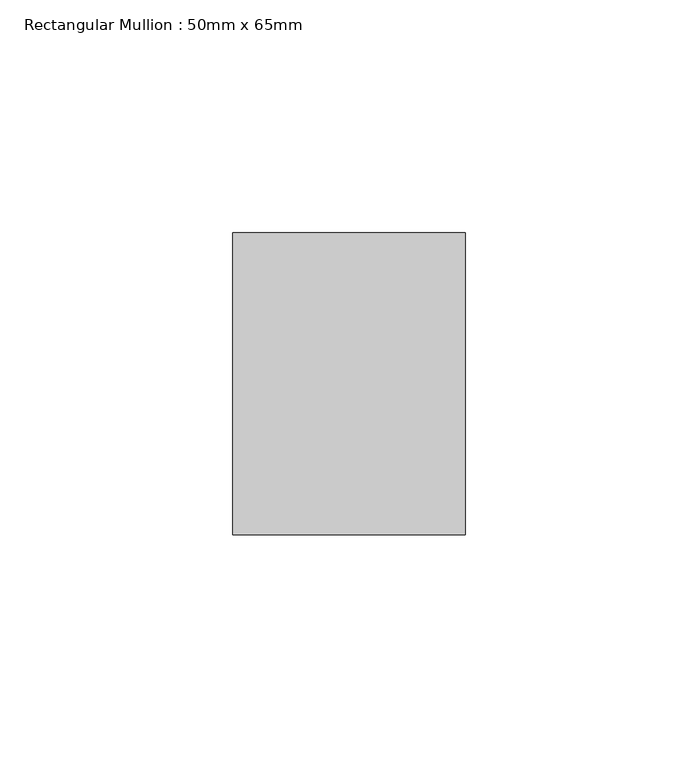
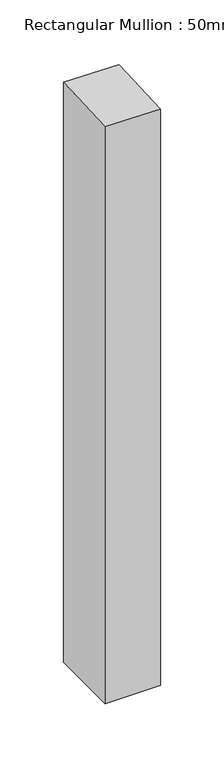
"""IFC4 building model written with IfcOpenShell, lengths in millimetres: member geometry, Rectangular Mullion : 50mm x 65mm."""

import ifcopenshell
import ifcopenshell.guid

model = None  # the IFC model being written
_history = None  # IfcOwnerHistory: only IFC2X3 demands one
_inside = {}  # id of a spatial element -> (the spatial element, [elements in it])
_under = {}  # id of a project, library or spatial element -> (it, [spatial elements below it])
_declared = {}  # id of a project -> (the project, [libraries it declares])
_typed = {}  # id of a type object -> (the type object, [elements of that type])
_made_of = {}  # id of a material, layer set ... -> (it, [elements and type objects made of it])


def new_model(schema):
    """Start an empty IFC model of exactly this schema.

    Asked for "IFC4X3", IfcOpenShell would pick the latest addendum, in which some entities
    have other attributes; the version numbers below select the first issue.
    IFC2X3 requires an IfcOwnerHistory on every rooted entity: one is made here for all.
    """
    global model, _history
    if schema == "IFC4X3":
        model = ifcopenshell.file(schema_version=(4, 3, 0, 0))
    else:
        model = ifcopenshell.file(schema=schema)
    _inside.clear()
    _under.clear()
    _declared.clear()
    _typed.clear()
    _made_of.clear()
    _history = None
    if model.schema == "IFC2X3":
        org = make("IfcOrganization", Name="unknown")
        user = make(
            "IfcPersonAndOrganization",
            ThePerson=make("IfcPerson", FamilyName="unknown"),
            TheOrganization=org,
        )
        app = make(
            "IfcApplication",
            ApplicationDeveloper=org,
            Version="unknown",
            ApplicationFullName="unknown",
            ApplicationIdentifier="unknown",
        )
        _history = make(
            "IfcOwnerHistory",
            OwningUser=user,
            OwningApplication=app,
            ChangeAction="ADDED",
            CreationDate=0,
        )
    return model


def make(cls, **values):
    """One entity of the class cls with the attributes given. An attribute that is None is left unset."""
    return model.create_entity(
        cls, **{name: value for name, value in values.items() if value is not None}
    )


def rooted(cls, **values):
    """An entity with a GlobalId (a new one), such as an element, a storey or a relation."""
    return make(cls, GlobalId=ifcopenshell.guid.new(), OwnerHistory=_history, **values)


def si_unit(unit_type, name, prefix=None):
    """IfcSIUnit, for example si_unit("LENGTHUNIT", "METRE", prefix="MILLI")."""
    return make("IfcSIUnit", UnitType=unit_type, Prefix=prefix, Name=name)


def assignment(units):
    """IfcUnitAssignment: the units of a project."""
    return None if units is None else make("IfcUnitAssignment", Units=units)


def point(xyz):
    """IfcCartesianPoint."""
    return None if xyz is None else make("IfcCartesianPoint", Coordinates=xyz)


def direction(xyz):
    """IfcDirection."""
    return None if xyz is None else make("IfcDirection", DirectionRatios=xyz)


def frame(location, z_axis=None, x_axis=None):
    """IfcAxis2Placement3D, a coordinate frame: its origin and axes. An axis left out is left unset."""
    return make(
        "IfcAxis2Placement3D",
        Location=point(location),
        Axis=direction(z_axis),
        RefDirection=direction(x_axis),
    )


def origin():
    """The frame at (0, 0, 0) with its axes left unset."""
    return frame((0.0, 0.0, 0.0))


def place(relative_to, where):
    """IfcLocalPlacement: puts the frame where relative to a parent placement (None: the world)."""
    return make(
        "IfcLocalPlacement", PlacementRelTo=relative_to, RelativePlacement=where
    )


def context(
    kind, dimensions, precision=None, world=None, true_north=None, identifier=None
):
    """IfcGeometricRepresentationContext, for example the 3D "Model" context."""
    return make(
        "IfcGeometricRepresentationContext",
        ContextIdentifier=identifier,
        ContextType=kind,
        CoordinateSpaceDimension=dimensions,
        Precision=precision,
        WorldCoordinateSystem=world,
        TrueNorth=true_north,
    )


def project(units=None, contexts=None):
    """IfcProject with its units and contexts."""
    return rooted(
        "IfcProject",
        Name="project",
        RepresentationContexts=contexts,
        UnitsInContext=assignment(units),
    )


def spatial(cls, under=None, at=None, **own):
    """A site, building, storey or space (cls), placed at a placement, below another one or the project."""
    s = rooted(cls, ObjectPlacement=at, **own)
    if under is not None:
        _under.setdefault(under.id(), (under, []))[1].append(s)
    return s


def faces_of(points, faces, orient=None, outer=None):
    """IfcFace entities. A face is a list of loops; a loop is a list of indices into points, from 0.

    orient and outer hold one flag for each loop. By default every Orientation is true, the
    first loop of a face is its IfcFaceOuterBound and the others are IfcFaceBound.
    """
    made = []
    for i, loops in enumerate(faces):
        bounds = []
        for j, loop in enumerate(loops):
            is_outer = j == 0 if outer is None else outer[i][j]
            bounds.append(
                make(
                    "IfcFaceOuterBound" if is_outer else "IfcFaceBound",
                    Bound=make("IfcPolyLoop", Polygon=[points[k] for k in loop]),
                    Orientation=True if orient is None else orient[i][j],
                )
            )
        made.append(make("IfcFace", Bounds=bounds))
    return made


def faceted_brep(points, faces, orient=None, outer=None, voids=None):
    """IfcFacetedBrep: a solid bounded by flat faces; with voids (closed shells), ...WithVoids."""
    shared = [point(p) for p in points]
    hull = make("IfcClosedShell", CfsFaces=faces_of(shared, faces, orient, outer))
    if voids is None:
        return make("IfcFacetedBrep", Outer=hull)
    return make(
        "IfcFacetedBrepWithVoids",
        Outer=hull,
        Voids=[
            make(cls, CfsFaces=faces_of(shared, fs, o, b)) for cls, fs, o, b in voids
        ],
    )


def shape(context_of_items, identifier, shape_type, items):
    """IfcShapeRepresentation: the items that make up one representation, for example the "Body"."""
    return make(
        "IfcShapeRepresentation",
        ContextOfItems=context_of_items,
        RepresentationIdentifier=identifier,
        RepresentationType=shape_type,
        Items=items,
    )


def source(mapping_origin, context_of_items, identifier, shape_type, items):
    """IfcRepresentationMap: a shape defined once, which mapped items show again and again."""
    return make(
        "IfcRepresentationMap",
        MappingOrigin=mapping_origin,
        MappedRepresentation=shape(context_of_items, identifier, shape_type, items),
    )


def transform(
    local_origin,
    x_axis=None,
    y_axis=None,
    z_axis=None,
    scale=None,
    scale2=None,
    scale3=None,
    uniform=True,
):
    """IfcCartesianTransformationOperator3D, or its non-uniform kind. x_axis, y_axis, z_axis: its Axis1, 2, 3."""
    if uniform:
        return make(
            "IfcCartesianTransformationOperator3D",
            Axis1=direction(x_axis),
            Axis2=direction(y_axis),
            LocalOrigin=point(local_origin),
            Scale=scale,
            Axis3=direction(z_axis),
        )
    return make(
        "IfcCartesianTransformationOperator3DnonUniform",
        Axis1=direction(x_axis),
        Axis2=direction(y_axis),
        LocalOrigin=point(local_origin),
        Scale=scale,
        Axis3=direction(z_axis),
        Scale2=scale2,
        Scale3=scale3,
    )


def mapped(mapping_source, mapping_target):
    """IfcMappedItem: shows the shape of a source again, moved by a transform."""
    return make(
        "IfcMappedItem", MappingSource=mapping_source, MappingTarget=mapping_target
    )


def made_of(thing, what):
    """Note that an element or type object is made of a material, layer set ...; save() writes the relation."""
    if what is not None:
        _made_of.setdefault(what.id(), (what, []))[1].append(thing)
    return thing


def element(
    cls,
    number,
    at=None,
    inside=None,
    cuts=None,
    type_object=None,
    material=None,
    context=None,
    identifier="Body",
    shape_type=None,
    held_by="IfcProductDefinitionShape",
    body=None,
    shapes=None,
    **own,
):
    """One element of the class cls, such as IfcWall. Its Tag is "e" and its number.

    at: its placement. inside: the storey or other place that contains it. cuts: it is an
    opening in that element (IfcRelVoidsElement). A single representation is given by context,
    identifier, shape_type and body (its items); several are given by shapes. held_by: the class
    of the entity that holds the representations. save() writes the other relations.
    """
    e = rooted(cls, Tag="e%d" % number, ObjectPlacement=at, **own)
    if body is not None:
        shapes = [shape(context, identifier, shape_type, body)]
    if shapes is not None:
        e.Representation = make(held_by, Representations=shapes)
    if inside is not None:
        _inside.setdefault(inside.id(), (inside, []))[1].append(e)
    if cuts is not None:
        rooted(
            "IfcRelVoidsElement", RelatingBuildingElement=cuts, RelatedOpeningElement=e
        )
    if type_object is not None:
        _typed.setdefault(type_object.id(), (type_object, []))[1].append(e)
    return made_of(e, material)


def aggregate(whole, parts):
    """IfcRelAggregates: a whole, such as a stair, and the parts it consists of."""
    return rooted("IfcRelAggregates", RelatingObject=whole, RelatedObjects=parts)


def save(model, path):
    """Write the relations noted so far, then the file.

    IfcRelAggregates (storeys below a building ...), IfcRelContainedInSpatialStructure (elements
    in a storey), IfcRelDefinesByType, IfcRelAssociatesMaterial and IfcRelDeclares: one each for
    every whole, place, type object, material and project.
    """
    for whole, parts in _under.values():
        aggregate(whole, parts)
    for where, things in _inside.values():
        rooted(
            "IfcRelContainedInSpatialStructure",
            RelatedElements=things,
            RelatingStructure=where,
        )
    for kind, things in _typed.values():
        rooted("IfcRelDefinesByType", RelatedObjects=things, RelatingType=kind)
    for what, things in _made_of.values():
        rooted("IfcRelAssociatesMaterial", RelatedObjects=things, RelatingMaterial=what)
    for by, libraries in _declared.values():
        rooted("IfcRelDeclares", RelatingContext=by, RelatedDefinitions=libraries)
    model.write(path)


def rectangular_mullion_50mm_x_65mm_4a5caeb8(model_context):
    return source(origin(), model_context, "Body", "Brep", [
        faceted_brep([(25.0, 32.5, -553.3933517), (25.0, -32.5, -553.3933517), (-25.0, -32.5, -553.3933517), (-25.0, 32.5, -553.3933517), (-25.0, 32.5, 2.0611481), (25.0, 32.5, 1.3990945), (-25.0, -32.5, -1.3990945), (25.0, -32.5, -2.0611481)], [[[0, 1, 2, 3]], [[4, 5, 0, 3]], [[6, 4, 3, 2]], [[7, 6, 2, 1]], [[5, 7, 1, 0]], [[5, 4, 6, 7]]]),
    ])


if __name__ == "__main__":
    model = new_model("IFC4")
    model_context = context("Model", 3, world=origin())
    ifc_project = project(units=[si_unit("LENGTHUNIT", "METRE", prefix="MILLI")], contexts=[model_context])
    site = spatial("IfcSite", under=ifc_project)
    building = spatial("IfcBuilding", under=site)
    placement = place(None, origin())
    rectangular_mullion_50mm_x_65mm_shape = rectangular_mullion_50mm_x_65mm_4a5caeb8(model_context)
    element("IfcMember", 1, ObjectType="Rectangular Mullion : 50mm x 65mm", at=placement, inside=building, context=model_context, shape_type="MappedRepresentation", body=[
        mapped(rectangular_mullion_50mm_x_65mm_shape, transform((0.0, 0.0, 0.0), x_axis=(1.0, 0.0, 0.0), y_axis=(0.0, 1.0, 0.0), z_axis=(0.0, 0.0, 1.0))),
    ])
    save(model, "model.ifc")
